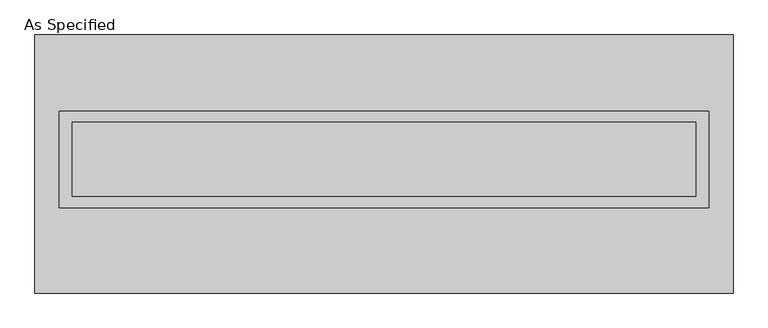
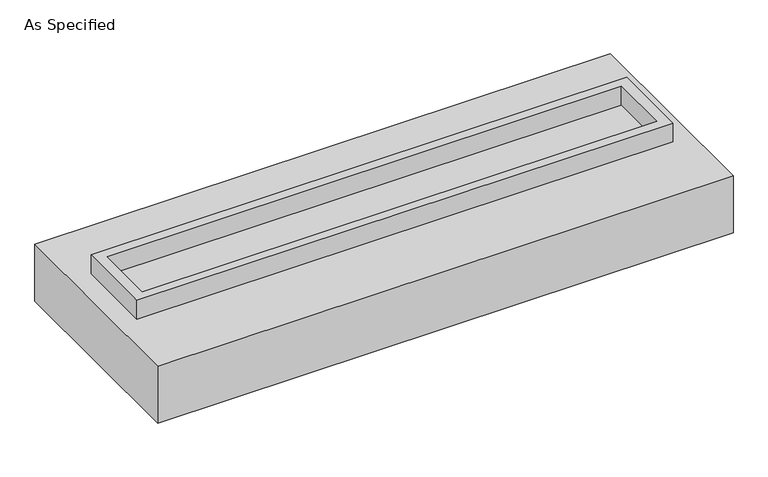
"""IFC4 building model written with IfcOpenShell, lengths in millimetres: proxy geometry, As Specified."""

from ifc_helpers import new_model, si_unit, frame, origin, place, context, project, spatial, polyline, outline, extrude, source, transform, mapped, element, save


def as_specified_ff6060c0(model_context):
    return source(origin(), model_context, "Body", "SweptSolid", [
        extrude(outline(polyline([(2222.5, 361.95), (2222.5, -298.45), (-2222.5, -298.45), (-2222.5, 361.95), (2222.5, 361.95)]), holes=[polyline([(2133.6, 285.75), (-2133.6, 285.75), (-2133.6, -222.25), (2133.6, -222.25), (2133.6, 285.75)])]), frame((0.0, 0.0, -688.975), z_axis=(0.0, 0.0, 1.0), x_axis=(1.0, 0.0, 0.0)), (0.0, 0.0, 1.0), 165.1),
        extrude(outline(polyline([(2222.5, 361.95), (2222.5, -298.45), (-2222.5, -298.45), (-2222.5, 361.95), (2222.5, 361.95)]), holes=[polyline([(2133.6, 285.75), (-2133.6, 285.75), (-2133.6, -222.25), (2133.6, -222.25), (2133.6, 285.75)])]), frame((0.0, 0.0, -25.4), z_axis=(0.0, 0.0, 1.0), x_axis=(1.0, 0.0, 0.0)), (0.0, 0.0, 1.0), 165.1),
        extrude(outline(polyline([(2133.6, 285.75), (2133.6, -222.25), (-2133.6, -222.25), (-2133.6, 285.75), (2133.6, 285.75)])), frame((0.0, 0.0, -523.875), z_axis=(0.0, 0.0, 1.0), x_axis=(1.0, 0.0, 0.0)), (0.0, 0.0, 1.0), 4.9609375),
        extrude(outline(polyline([(2133.6, 285.75), (2133.6, -222.25), (-2133.6, -222.25), (-2133.6, 285.75), (2133.6, 285.75)])), frame((0.0, 0.0, -30.3609375), z_axis=(0.0, 0.0, 1.0), x_axis=(1.0, 0.0, 0.0)), (0.0, 0.0, 1.0), 4.9609375),
        extrude(outline(polyline([(2387.6, -882.65), (-2387.6, -882.65), (-2387.6, 882.65), (2387.6, 882.65), (2387.6, -882.65)]), holes=[polyline([(-2222.5, 361.95), (-2222.5, -298.45), (2222.5, -298.45), (2222.5, 361.95), (-2222.5, 361.95)])]), frame((0.0, 0.0, -523.875), z_axis=(0.0, 0.0, 1.0), x_axis=(1.0, 0.0, 0.0)), (0.0, 0.0, 1.0), 498.475),
    ])


if __name__ == "__main__":
    model = new_model("IFC4")
    model_context = context("Model", 3, world=origin())
    ifc_project = project(units=[si_unit("LENGTHUNIT", "METRE", prefix="MILLI")], contexts=[model_context])
    site = spatial("IfcSite", under=ifc_project)
    building = spatial("IfcBuilding", under=site)
    placement = place(None, origin())
    as_specified_shape = as_specified_ff6060c0(model_context)
    element("IfcBuildingElementProxy", 1, Name="As Specified", ObjectType="As Specified", at=placement, inside=building, context=model_context, shape_type="MappedRepresentation", body=[
        mapped(as_specified_shape, transform((0.0, 0.0, 0.0), x_axis=(1.0, 0.0, 0.0), y_axis=(0.0, 1.0, 0.0), z_axis=(0.0, 0.0, 1.0))),
    ])
    save(model, "model.ifc")
